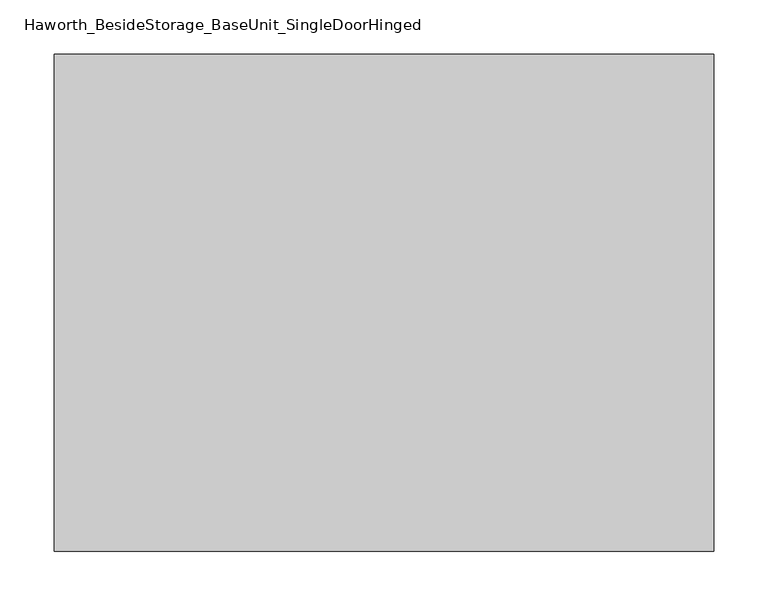
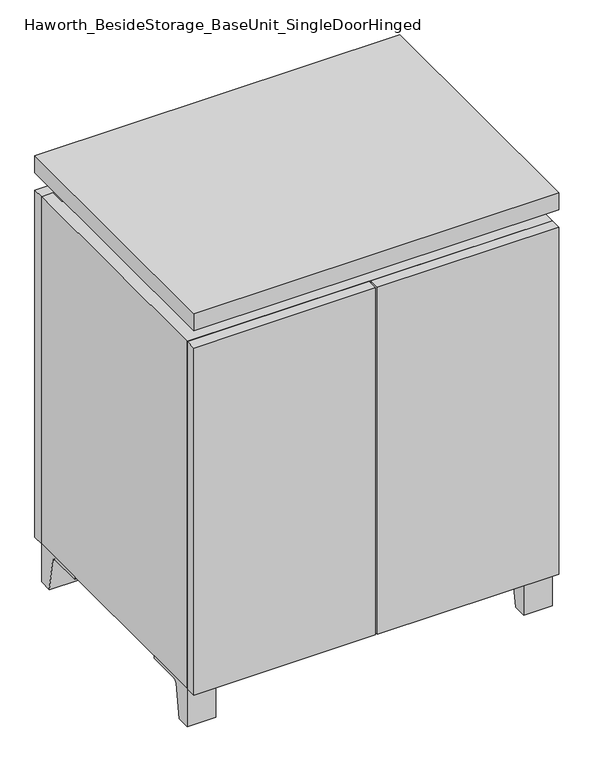
"""IFC4 building model written with IfcOpenShell, lengths in millimetres: furniture geometry, Haworth_BesideStorage_BaseUnit_SingleDoorHinged."""

from ifc_helpers import new_model, si_unit, point, frame, frame_2d, origin, place, context, project, spatial, polyline, circle_curve, trimmed, segment, composite_curve, outline, extrude, faceted_brep, source, transform, mapped, element, save


def haworth_besidestorage_baseunit_singledoorhinged_2984be13(model_context):
    return source(origin(), model_context, "Body", "SolidModel", [
        extrude(outline(composite_curve([segment(polyline([(-129.6458469, 0.0), (-152.4, 0.0), (-152.4, 66.675), (-57.15, 66.675), (-57.15, 61.8963321), (-113.9505345, 61.8963321)]), True, "CONTINUOUS"), segment(trimmed(circle_curve(frame_2d((-113.9505345, 55.5463321)), 6.35), [point((-113.9505345, 61.8963321))], [point((-120.2141359, 56.5902656))], True, "CARTESIAN"), True, "CONTINUOUS"), segment(polyline([(-120.2141359, 56.5902656), (-129.6458469, 0.0)]), True, "CONTINUOUS")], self_intersect=False)), frame((255.6013906, 0.0, 0.0), z_axis=(1.0, 0.0, 0.0), x_axis=(0.0, 1.0, 0.0)), (0.0, 0.0, 1.0), 47.625),
        extrude(outline(composite_curve([segment(polyline([(243.9458469, 0.0), (234.5141359, 56.5902656)]), True, "CONTINUOUS"), segment(trimmed(circle_curve(frame_2d((228.2505345, 55.5463321)), 6.35), [point((234.5141359, 56.5902656))], [point((228.2505345, 61.8963321))], True, "CARTESIAN"), True, "CONTINUOUS"), segment(polyline([(228.2505345, 61.8963321), (171.45, 61.8963321), (171.45, 66.675), (266.7, 66.675), (266.7, 0.0), (243.9458469, 0.0)]), True, "CONTINUOUS")], self_intersect=False)), frame((255.6013906, 0.0, 0.0), z_axis=(1.0, 0.0, 0.0), x_axis=(0.0, 1.0, 0.0)), (0.0, 0.0, 1.0), 47.625),
        extrude(outline(composite_curve([segment(polyline([(-129.6458469, 0.0), (-152.4, 0.0), (-152.4, 66.675), (-57.15, 66.675), (-57.15, 61.8963321), (-113.9505345, 61.8963321)]), True, "CONTINUOUS"), segment(trimmed(circle_curve(frame_2d((-113.9505345, 55.5463321)), 6.35), [point((-113.9505345, 61.8963321))], [point((-120.2141359, 56.5902656))], True, "CARTESIAN"), True, "CONTINUOUS"), segment(polyline([(-120.2141359, 56.5902656), (-129.6458469, 0.0)]), True, "CONTINUOUS")], self_intersect=False)), frame((-303.1986094, 0.0, 0.0), z_axis=(1.0, 0.0, 0.0), x_axis=(0.0, 1.0, 0.0)), (0.0, 0.0, 1.0), 47.625),
        extrude(outline(composite_curve([segment(polyline([(243.9458469, 0.0), (234.5141359, 56.5902656)]), True, "CONTINUOUS"), segment(trimmed(circle_curve(frame_2d((228.2505345, 55.5463321)), 6.35), [point((234.5141359, 56.5902656))], [point((228.2505345, 61.8963321))], True, "CARTESIAN"), True, "CONTINUOUS"), segment(polyline([(228.2505345, 61.8963321), (171.45, 61.8963321), (171.45, 66.675), (266.7, 66.675), (266.7, 0.0), (243.9458469, 0.0)]), True, "CONTINUOUS")], self_intersect=False)), frame((-303.1986094, 0.0, 0.0), z_axis=(1.0, 0.0, 0.0), x_axis=(0.0, 1.0, 0.0)), (0.0, 0.0, 1.0), 47.625),
        faceted_brep([(-303.1986094, -152.4, 66.675), (303.2125, -152.4, 66.675), (303.2125, -152.4, 676.275), (-303.1986094, -152.4, 676.275), (-284.1486094, -152.4, 85.725), (-284.1486094, -152.4, 657.225), (284.1694453, -152.4, 657.225), (284.1486094, -152.4, 85.725), (-303.1986094, 266.7, 66.675), (-303.1986094, 266.7, 676.275), (-284.1486094, 266.7, 676.275), (-284.1486094, 266.7, 85.725), (284.1486094, 266.7, 85.725), (284.1486094, 266.7, 676.275), (303.2125, 266.7, 676.275), (303.2125, 266.7, 66.675), (284.1486094, 241.3, 676.275), (-284.1416641, 241.3, 676.275), (-284.1486094, 241.3, 657.225), (284.1486094, 241.3, 657.225)], [[[0, 1, 2, 3], [4, 5, 6, 7]], [[8, 9, 10, 11, 12, 13, 14, 15]], [[1, 0, 8, 15]], [[2, 1, 15, 14]], [[3, 2, 14, 13, 16, 17, 10, 9]], [[0, 3, 9, 8]], [[11, 10, 17, 18, 5, 4]], [[13, 12, 7, 6, 19, 16]], [[4, 7, 12, 11]], [[6, 5, 18, 19]], [[17, 16, 19, 18]]]),
        extrude(outline(polyline([(303.2263906, -171.45), (-303.1986094, -171.45), (-303.1986094, 285.75), (303.2263906, 285.75), (303.2263906, -171.45)])), frame((0.0, 0.0, 706.4375), z_axis=(0.0, 0.0, 1.0), x_axis=(1.0, 0.0, 0.0)), (0.0, 0.0, 1.0), 30.1625),
        faceted_brep([(7.9513906, -76.2, 706.4375), (7.9513906, -76.2, 676.275), (7.9513906, 47.625, 676.275), (7.9513906, 47.625, 706.4375), (7.9513906, 190.5, 676.275), (7.9513906, 190.5, 706.4375), (7.9513906, 66.675, 706.4375), (7.9513906, 66.675, 676.275), (-7.9236094, 190.5, 706.4375), (-7.9236094, 190.5, 676.275), (-7.9236094, 66.675, 676.275), (-7.9236094, 66.675, 706.4375), (-7.9236094, -76.2, 676.275), (-7.9236094, -76.2, 706.4375), (-7.9236094, 47.625, 706.4375), (-7.9236094, 47.625, 676.275), (-261.8958281, 66.675, 706.4375), (-261.9166641, 241.3, 706.4375), (-277.7916641, 241.3, 706.4375), (-277.7916641, -127.0, 706.4375), (-261.9166641, -127.0, 706.4375), (-261.9166641, 47.625, 706.4375), (261.9236094, 47.625, 706.4375), (261.9236094, -127.0, 706.4375), (277.7986094, -127.0, 706.4375), (277.7986094, 241.3, 706.4375), (261.9236094, 241.3, 706.4375), (261.9236094, 66.675, 706.4375), (-261.8958281, 47.625, 676.275), (-261.9166641, -127.0, 676.275), (-277.7916641, -127.0, 676.275), (-277.7916641, 241.3, 676.275), (-261.9166641, 241.3, 676.275), (-261.9166641, 66.675, 676.275), (261.9236094, 66.675, 676.275), (261.9236094, 241.3, 676.275), (277.7986094, 241.3, 676.275), (277.7986094, -127.0, 676.275), (261.9236094, -127.0, 676.275), (261.9236094, 47.625, 676.275)], [[[0, 1, 2, 3]], [[4, 5, 6, 7]], [[8, 9, 10, 11]], [[12, 13, 14, 15]], [[5, 8, 11, 16, 17, 18, 19, 20, 21, 14, 13, 0, 3, 22, 23, 24, 25, 26, 27, 6]], [[1, 12, 15, 28, 29, 30, 31, 32, 33, 10, 9, 4, 7, 34, 35, 36, 37, 38, 39, 2]], [[5, 4, 9, 8]], [[1, 0, 13, 12]], [[6, 27, 34, 7]], [[22, 3, 2, 39]], [[20, 29, 28, 21]], [[32, 17, 16, 33]], [[18, 31, 30, 19]], [[29, 20, 19, 30]], [[17, 32, 31, 18]], [[26, 35, 34, 27]], [[38, 23, 22, 39]], [[25, 24, 37, 36]], [[23, 38, 37, 24]], [[35, 26, 25, 36]], [[16, 11, 10, 33]], [[14, 21, 28, 15]]]),
        extrude(outline(polyline([(303.2263906, 266.7), (-303.1986094, 266.7), (-303.1986094, 285.75), (303.2263906, 285.75), (303.2263906, 266.7)])), frame((0.0, 0.0, 66.675), z_axis=(0.0, 0.0, 1.0), x_axis=(1.0, 0.0, 0.0)), (0.0, 0.0, 1.0), 609.6),
        extrude(outline(polyline([(-284.1416641, 196.85), (-284.1416641, 203.2), (284.1694453, 203.2), (284.1694453, 196.85), (-284.1416641, 196.85)])), frame((0.0, 0.0, 85.725), z_axis=(0.0, 0.0, 1.0), x_axis=(1.0, 0.0, 0.0)), (0.0, 0.0, 1.0), 571.5),
        extrude(outline(polyline([(1.6013906, -171.45), (1.6013906, -152.4), (303.2263906, -152.4), (303.2263906, -171.45), (1.6013906, -171.45)])), frame((0.0, 0.0, 66.675), z_axis=(0.0, 0.0, 1.0), x_axis=(1.0, 0.0, 0.0)), (0.0, 0.0, 1.0), 609.6),
        extrude(outline(polyline([(-1.5736094, -171.45), (-303.1986094, -171.45), (-303.1986094, -152.4), (-1.5736094, -152.4), (-1.5736094, -171.45)])), frame((0.0, 0.0, 66.675), z_axis=(0.0, 0.0, 1.0), x_axis=(1.0, 0.0, 0.0)), (0.0, 0.0, 1.0), 609.6),
    ])


if __name__ == "__main__":
    model = new_model("IFC4")
    model_context = context("Model", 3, world=origin())
    ifc_project = project(units=[si_unit("LENGTHUNIT", "METRE", prefix="MILLI")], contexts=[model_context])
    site = spatial("IfcSite", under=ifc_project)
    building = spatial("IfcBuilding", under=site)
    placement = place(None, origin())
    haworth_besidestorage_baseunit_singledoorhinged_shape = haworth_besidestorage_baseunit_singledoorhinged_2984be13(model_context)
    element("IfcFurniture", 1, ObjectType="Haworth_BesideStorage_BaseUnit_SingleDoorHinged", at=placement, inside=building, context=model_context, shape_type="MappedRepresentation", body=[
        mapped(haworth_besidestorage_baseunit_singledoorhinged_shape, transform((0.0, 0.0, 0.0), x_axis=(1.0, 0.0, 0.0), y_axis=(0.0, 1.0, 0.0), z_axis=(0.0, 0.0, 1.0))),
    ])
    save(model, "model.ifc")
